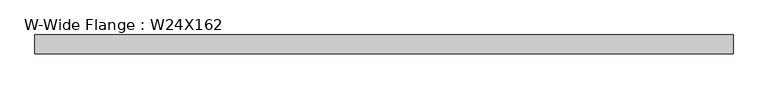
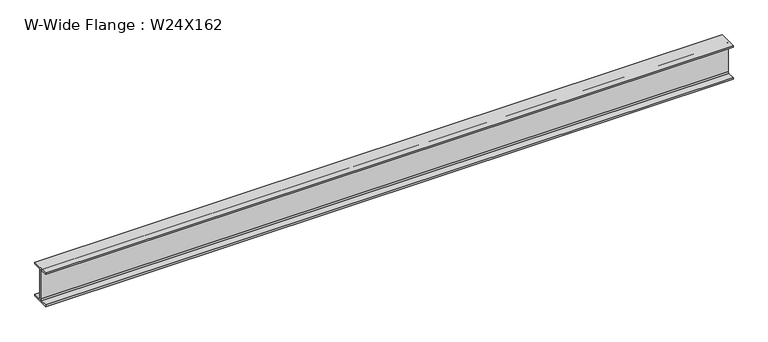
"""IFC4 building model written with IfcOpenShell, lengths in millimetres: beam geometry, W-Wide Flange : W24X162."""

from ifc_helpers import new_model, si_unit, point, frame, frame_2d, origin, place, context, project, spatial, polyline, circle_curve, trimmed, segment, composite_curve, outline, extrude, source, transform, mapped, element, save


def w_wide_flange_w24x162_ab7e4cf9(model_context):
    return source(origin(), model_context, "Body", "SweptSolid", [
        extrude(outline(composite_curve([segment(polyline([(165.1, -286.512), (165.1, -317.5), (-165.1, -317.5), (-165.1, -286.512), (-31.9405, -286.512)]), True, "CONTINUOUS"), segment(trimmed(circle_curve(frame_2d((-31.9405, -263.525)), 22.987), [point((-31.9405, -286.512))], [point((-8.9535, -263.525))], True, "CARTESIAN"), True, "CONTINUOUS"), segment(polyline([(-8.9535, -263.525), (-8.9535, 263.525)]), True, "CONTINUOUS"), segment(trimmed(circle_curve(frame_2d((-31.9405, 263.525)), 22.987), [point((-8.9535, 263.525))], [point((-31.9405, 286.512))], True, "CARTESIAN"), True, "CONTINUOUS"), segment(polyline([(-31.9405, 286.512), (-165.1, 286.512), (-165.1, 317.5), (165.1, 317.5), (165.1, 286.512), (31.9405, 286.512)]), True, "CONTINUOUS"), segment(trimmed(circle_curve(frame_2d((31.9405, 263.525)), 22.987), [point((31.9405, 286.512))], [point((8.9535, 263.525))], True, "CARTESIAN"), True, "CONTINUOUS"), segment(polyline([(8.9535, 263.525), (8.9535, -263.525)]), True, "CONTINUOUS"), segment(trimmed(circle_curve(frame_2d((31.9405, -263.525)), 22.987), [point((8.9535, -263.525))], [point((31.9405, -286.512))], True, "CARTESIAN"), True, "CONTINUOUS"), segment(polyline([(31.9405, -286.512), (165.1, -286.512)]), True, "CONTINUOUS")], self_intersect=False)), frame((-6058.4507586, 0.0, 0.0), z_axis=(1.0, 0.0, 0.0), x_axis=(0.0, 1.0, 0.0)), (0.0, 0.0, 1.0), 12182.2254096),
    ])


if __name__ == "__main__":
    model = new_model("IFC4")
    model_context = context("Model", 3, world=origin())
    ifc_project = project(units=[si_unit("LENGTHUNIT", "METRE", prefix="MILLI")], contexts=[model_context])
    site = spatial("IfcSite", under=ifc_project)
    building = spatial("IfcBuilding", under=site)
    placement = place(None, origin())
    w_wide_flange_w24x162_shape = w_wide_flange_w24x162_ab7e4cf9(model_context)
    element("IfcBeam", 1, ObjectType="W-Wide Flange : W24X162", at=placement, inside=building, context=model_context, shape_type="MappedRepresentation", body=[
        mapped(w_wide_flange_w24x162_shape, transform((0.0, 0.0, 0.0), x_axis=(1.0, 0.0, 0.0), y_axis=(0.0, 1.0, 0.0), z_axis=(0.0, 0.0, 1.0))),
    ])
    save(model, "model.ifc")
